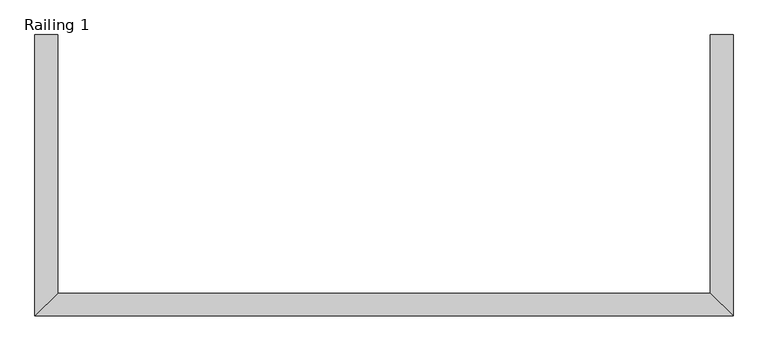
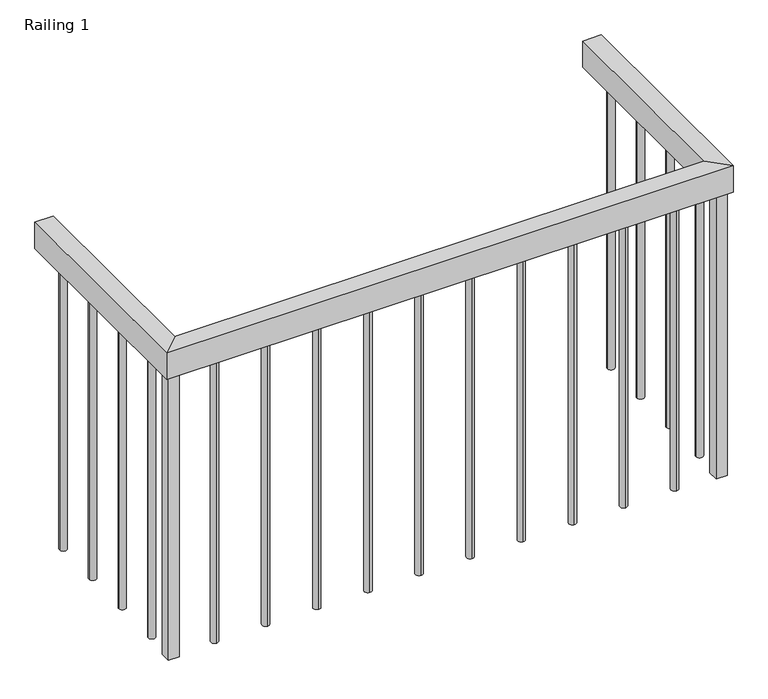
"""IFC4 building model written with IfcOpenShell, lengths in millimetres: railing geometry, Railing 1."""

from ifc_helpers import new_model, si_unit, point, frame, frame_2d, origin, place, context, project, spatial, polyline, circle_curve, trimmed, segment, composite_curve, outline, extrude, faceted_brep, source, transform, mapped, element, save


def railing_1_3664a752(model_context):
    return source(origin(), model_context, "Body", "SolidModel", [
        faceted_brep([(2280.5809005, -2071.8408405, 3940.0), (2280.5809005, -2071.8408405, 3863.8), (2229.7809005, -2071.8408405, 3863.8), (2229.7809005, -2071.8408405, 3940.0), (2280.5809005, -2646.4408405, 3940.0), (2280.5809005, -2646.4408405, 3863.8), (2229.7809005, -2697.2408405, 3863.8), (2229.7809005, -2697.2408405, 3940.0), (3729.7809005, -2646.4408405, 3940.0), (3729.7809005, -2646.4408405, 3863.8), (3780.5809005, -2697.2408405, 3863.8), (3780.5809005, -2697.2408405, 3940.0), (3729.7809005, -2071.8408405, 3940.0), (3780.5809005, -2071.8408405, 3940.0), (3780.5809005, -2071.8408405, 3863.8), (3729.7809005, -2071.8408405, 3863.8)], [[[0, 1, 2, 3]], [[1, 0, 4, 5]], [[2, 1, 5, 6]], [[3, 2, 6, 7]], [[0, 3, 7, 4]], [[5, 4, 8, 9]], [[6, 5, 9, 10]], [[7, 6, 10, 11]], [[4, 7, 11, 8]], [[12, 13, 14, 15]], [[9, 8, 12, 15]], [[10, 9, 15, 14]], [[11, 10, 14, 13]], [[8, 11, 13, 12]]]),
        extrude(outline(composite_curve([segment(trimmed(circle_curve(frame_2d((3755.1809005, -2161.8408405)), 10.0), [point((3745.1809005, -2161.8408405))], [point((3765.1809005, -2161.8408405))], False, "CARTESIAN"), True, "CONTINUOUS"), segment(trimmed(circle_curve(frame_2d((3755.1809005, -2161.8408405)), 10.0), [point((3765.1809005, -2161.8408405))], [point((3745.1809005, -2161.8408405))], False, "CARTESIAN"), True, "CONTINUOUS")], self_intersect=False)), frame((0.0, 0.0, 3040.0), z_axis=(0.0, 0.0, 1.0), x_axis=(1.0, 0.0, 0.0)), (0.0, 0.0, 1.0), 823.8),
        extrude(outline(composite_curve([segment(trimmed(circle_curve(frame_2d((3755.1809005, -2301.8408405)), 10.0), [point((3745.1809005, -2301.8408405))], [point((3765.1809005, -2301.8408405))], False, "CARTESIAN"), True, "CONTINUOUS"), segment(trimmed(circle_curve(frame_2d((3755.1809005, -2301.8408405)), 10.0), [point((3765.1809005, -2301.8408405))], [point((3745.1809005, -2301.8408405))], False, "CARTESIAN"), True, "CONTINUOUS")], self_intersect=False)), frame((0.0, 0.0, 3040.0), z_axis=(0.0, 0.0, 1.0), x_axis=(1.0, 0.0, 0.0)), (0.0, 0.0, 1.0), 823.8),
        extrude(outline(composite_curve([segment(trimmed(circle_curve(frame_2d((3755.1809005, -2441.8408405)), 10.0), [point((3745.1809005, -2441.8408405))], [point((3765.1809005, -2441.8408405))], False, "CARTESIAN"), True, "CONTINUOUS"), segment(trimmed(circle_curve(frame_2d((3755.1809005, -2441.8408405)), 10.0), [point((3765.1809005, -2441.8408405))], [point((3745.1809005, -2441.8408405))], False, "CARTESIAN"), True, "CONTINUOUS")], self_intersect=False)), frame((0.0, 0.0, 3040.0), z_axis=(0.0, 0.0, 1.0), x_axis=(1.0, 0.0, 0.0)), (0.0, 0.0, 1.0), 823.8),
        extrude(outline(composite_curve([segment(trimmed(circle_curve(frame_2d((3755.1809005, -2581.8408405)), 10.0), [point((3745.1809005, -2581.8408405))], [point((3765.1809005, -2581.8408405))], False, "CARTESIAN"), True, "CONTINUOUS"), segment(trimmed(circle_curve(frame_2d((3755.1809005, -2581.8408405)), 10.0), [point((3765.1809005, -2581.8408405))], [point((3745.1809005, -2581.8408405))], False, "CARTESIAN"), True, "CONTINUOUS")], self_intersect=False)), frame((0.0, 0.0, 3040.0), z_axis=(0.0, 0.0, 1.0), x_axis=(1.0, 0.0, 0.0)), (0.0, 0.0, 1.0), 823.8),
        extrude(outline(composite_curve([segment(trimmed(circle_curve(frame_2d((3635.1809005, -2671.8408405)), 10.0), [point((3635.1809005, -2661.8408405))], [point((3635.1809005, -2681.8408405))], False, "CARTESIAN"), True, "CONTINUOUS"), segment(trimmed(circle_curve(frame_2d((3635.1809005, -2671.8408405)), 10.0), [point((3635.1809005, -2681.8408405))], [point((3635.1809005, -2661.8408405))], False, "CARTESIAN"), True, "CONTINUOUS")], self_intersect=False)), frame((0.0, 0.0, 3040.0), z_axis=(0.0, 0.0, 1.0), x_axis=(1.0, 0.0, 0.0)), (0.0, 0.0, 1.0), 823.8),
        extrude(outline(composite_curve([segment(trimmed(circle_curve(frame_2d((3495.1809005, -2671.8408405)), 10.0), [point((3495.1809005, -2661.8408405))], [point((3495.1809005, -2681.8408405))], False, "CARTESIAN"), True, "CONTINUOUS"), segment(trimmed(circle_curve(frame_2d((3495.1809005, -2671.8408405)), 10.0), [point((3495.1809005, -2681.8408405))], [point((3495.1809005, -2661.8408405))], False, "CARTESIAN"), True, "CONTINUOUS")], self_intersect=False)), frame((0.0, 0.0, 3040.0), z_axis=(0.0, 0.0, 1.0), x_axis=(1.0, 0.0, 0.0)), (0.0, 0.0, 1.0), 823.8),
        extrude(outline(composite_curve([segment(trimmed(circle_curve(frame_2d((3355.1809005, -2671.8408405)), 10.0), [point((3355.1809005, -2661.8408405))], [point((3355.1809005, -2681.8408405))], False, "CARTESIAN"), True, "CONTINUOUS"), segment(trimmed(circle_curve(frame_2d((3355.1809005, -2671.8408405)), 10.0), [point((3355.1809005, -2681.8408405))], [point((3355.1809005, -2661.8408405))], False, "CARTESIAN"), True, "CONTINUOUS")], self_intersect=False)), frame((0.0, 0.0, 3040.0), z_axis=(0.0, 0.0, 1.0), x_axis=(1.0, 0.0, 0.0)), (0.0, 0.0, 1.0), 823.8),
        extrude(outline(composite_curve([segment(trimmed(circle_curve(frame_2d((3215.1809005, -2671.8408405)), 10.0), [point((3215.1809005, -2661.8408405))], [point((3215.1809005, -2681.8408405))], False, "CARTESIAN"), True, "CONTINUOUS"), segment(trimmed(circle_curve(frame_2d((3215.1809005, -2671.8408405)), 10.0), [point((3215.1809005, -2681.8408405))], [point((3215.1809005, -2661.8408405))], False, "CARTESIAN"), True, "CONTINUOUS")], self_intersect=False)), frame((0.0, 0.0, 3040.0), z_axis=(0.0, 0.0, 1.0), x_axis=(1.0, 0.0, 0.0)), (0.0, 0.0, 1.0), 823.8),
        extrude(outline(composite_curve([segment(trimmed(circle_curve(frame_2d((3075.1809005, -2671.8408405)), 10.0), [point((3075.1809005, -2661.8408405))], [point((3075.1809005, -2681.8408405))], False, "CARTESIAN"), True, "CONTINUOUS"), segment(trimmed(circle_curve(frame_2d((3075.1809005, -2671.8408405)), 10.0), [point((3075.1809005, -2681.8408405))], [point((3075.1809005, -2661.8408405))], False, "CARTESIAN"), True, "CONTINUOUS")], self_intersect=False)), frame((0.0, 0.0, 3040.0), z_axis=(0.0, 0.0, 1.0), x_axis=(1.0, 0.0, 0.0)), (0.0, 0.0, 1.0), 823.8),
        extrude(outline(composite_curve([segment(trimmed(circle_curve(frame_2d((2935.1809005, -2671.8408405)), 10.0), [point((2935.1809005, -2661.8408405))], [point((2935.1809005, -2681.8408405))], False, "CARTESIAN"), True, "CONTINUOUS"), segment(trimmed(circle_curve(frame_2d((2935.1809005, -2671.8408405)), 10.0), [point((2935.1809005, -2681.8408405))], [point((2935.1809005, -2661.8408405))], False, "CARTESIAN"), True, "CONTINUOUS")], self_intersect=False)), frame((0.0, 0.0, 3040.0), z_axis=(0.0, 0.0, 1.0), x_axis=(1.0, 0.0, 0.0)), (0.0, 0.0, 1.0), 823.8),
        extrude(outline(composite_curve([segment(trimmed(circle_curve(frame_2d((2795.1809005, -2671.8408405)), 10.0), [point((2795.1809005, -2661.8408405))], [point((2795.1809005, -2681.8408405))], False, "CARTESIAN"), True, "CONTINUOUS"), segment(trimmed(circle_curve(frame_2d((2795.1809005, -2671.8408405)), 10.0), [point((2795.1809005, -2681.8408405))], [point((2795.1809005, -2661.8408405))], False, "CARTESIAN"), True, "CONTINUOUS")], self_intersect=False)), frame((0.0, 0.0, 3040.0), z_axis=(0.0, 0.0, 1.0), x_axis=(1.0, 0.0, 0.0)), (0.0, 0.0, 1.0), 823.8),
        extrude(outline(composite_curve([segment(trimmed(circle_curve(frame_2d((2655.1809005, -2671.8408405)), 10.0), [point((2655.1809005, -2661.8408405))], [point((2655.1809005, -2681.8408405))], False, "CARTESIAN"), True, "CONTINUOUS"), segment(trimmed(circle_curve(frame_2d((2655.1809005, -2671.8408405)), 10.0), [point((2655.1809005, -2681.8408405))], [point((2655.1809005, -2661.8408405))], False, "CARTESIAN"), True, "CONTINUOUS")], self_intersect=False)), frame((0.0, 0.0, 3040.0), z_axis=(0.0, 0.0, 1.0), x_axis=(1.0, 0.0, 0.0)), (0.0, 0.0, 1.0), 823.8),
        extrude(outline(composite_curve([segment(trimmed(circle_curve(frame_2d((2515.1809005, -2671.8408405)), 10.0), [point((2515.1809005, -2661.8408405))], [point((2515.1809005, -2681.8408405))], False, "CARTESIAN"), True, "CONTINUOUS"), segment(trimmed(circle_curve(frame_2d((2515.1809005, -2671.8408405)), 10.0), [point((2515.1809005, -2681.8408405))], [point((2515.1809005, -2661.8408405))], False, "CARTESIAN"), True, "CONTINUOUS")], self_intersect=False)), frame((0.0, 0.0, 3040.0), z_axis=(0.0, 0.0, 1.0), x_axis=(1.0, 0.0, 0.0)), (0.0, 0.0, 1.0), 823.8),
        extrude(outline(composite_curve([segment(trimmed(circle_curve(frame_2d((2375.1809005, -2671.8408405)), 10.0), [point((2375.1809005, -2661.8408405))], [point((2375.1809005, -2681.8408405))], False, "CARTESIAN"), True, "CONTINUOUS"), segment(trimmed(circle_curve(frame_2d((2375.1809005, -2671.8408405)), 10.0), [point((2375.1809005, -2681.8408405))], [point((2375.1809005, -2661.8408405))], False, "CARTESIAN"), True, "CONTINUOUS")], self_intersect=False)), frame((0.0, 0.0, 3040.0), z_axis=(0.0, 0.0, 1.0), x_axis=(1.0, 0.0, 0.0)), (0.0, 0.0, 1.0), 823.8),
        extrude(outline(composite_curve([segment(trimmed(circle_curve(frame_2d((2255.1809005, -2581.8408405)), 10.0), [point((2265.1809005, -2581.8408405))], [point((2245.1809005, -2581.8408405))], False, "CARTESIAN"), True, "CONTINUOUS"), segment(trimmed(circle_curve(frame_2d((2255.1809005, -2581.8408405)), 10.0), [point((2245.1809005, -2581.8408405))], [point((2265.1809005, -2581.8408405))], False, "CARTESIAN"), True, "CONTINUOUS")], self_intersect=False)), frame((0.0, 0.0, 3040.0), z_axis=(0.0, 0.0, 1.0), x_axis=(1.0, 0.0, 0.0)), (0.0, 0.0, 1.0), 823.8),
        extrude(outline(composite_curve([segment(trimmed(circle_curve(frame_2d((2255.1809005, -2441.8408405)), 10.0), [point((2265.1809005, -2441.8408405))], [point((2245.1809005, -2441.8408405))], False, "CARTESIAN"), True, "CONTINUOUS"), segment(trimmed(circle_curve(frame_2d((2255.1809005, -2441.8408405)), 10.0), [point((2245.1809005, -2441.8408405))], [point((2265.1809005, -2441.8408405))], False, "CARTESIAN"), True, "CONTINUOUS")], self_intersect=False)), frame((0.0, 0.0, 3040.0), z_axis=(0.0, 0.0, 1.0), x_axis=(1.0, 0.0, 0.0)), (0.0, 0.0, 1.0), 823.8),
        extrude(outline(composite_curve([segment(trimmed(circle_curve(frame_2d((2255.1809005, -2301.8408405)), 10.0), [point((2265.1809005, -2301.8408405))], [point((2245.1809005, -2301.8408405))], False, "CARTESIAN"), True, "CONTINUOUS"), segment(trimmed(circle_curve(frame_2d((2255.1809005, -2301.8408405)), 10.0), [point((2245.1809005, -2301.8408405))], [point((2265.1809005, -2301.8408405))], False, "CARTESIAN"), True, "CONTINUOUS")], self_intersect=False)), frame((0.0, 0.0, 3040.0), z_axis=(0.0, 0.0, 1.0), x_axis=(1.0, 0.0, 0.0)), (0.0, 0.0, 1.0), 823.8),
        extrude(outline(composite_curve([segment(trimmed(circle_curve(frame_2d((2255.1809005, -2161.8408405)), 10.0), [point((2265.1809005, -2161.8408405))], [point((2245.1809005, -2161.8408405))], False, "CARTESIAN"), True, "CONTINUOUS"), segment(trimmed(circle_curve(frame_2d((2255.1809005, -2161.8408405)), 10.0), [point((2245.1809005, -2161.8408405))], [point((2265.1809005, -2161.8408405))], False, "CARTESIAN"), True, "CONTINUOUS")], self_intersect=False)), frame((0.0, 0.0, 3040.0), z_axis=(0.0, 0.0, 1.0), x_axis=(1.0, 0.0, 0.0)), (0.0, 0.0, 1.0), 823.8),
        extrude(outline(polyline([(3740.1809005, -2656.8408405), (3770.1809005, -2656.8408405), (3770.1809005, -2686.8408405), (3740.1809005, -2686.8408405), (3740.1809005, -2656.8408405)])), frame((0.0, 0.0, 3040.0), z_axis=(0.0, 0.0, 1.0), x_axis=(1.0, 0.0, 0.0)), (0.0, 0.0, 1.0), 850.0),
        extrude(outline(polyline([(2270.1809005, -2656.8408405), (2270.1809005, -2686.8408405), (2240.1809005, -2686.8408405), (2240.1809005, -2656.8408405), (2270.1809005, -2656.8408405)])), frame((0.0, 0.0, 3040.0), z_axis=(0.0, 0.0, 1.0), x_axis=(1.0, 0.0, 0.0)), (0.0, 0.0, 1.0), 850.0),
    ])


if __name__ == "__main__":
    model = new_model("IFC4")
    model_context = context("Model", 3, world=origin())
    ifc_project = project(units=[si_unit("LENGTHUNIT", "METRE", prefix="MILLI")], contexts=[model_context])
    site = spatial("IfcSite", under=ifc_project)
    building = spatial("IfcBuilding", under=site)
    placement = place(None, origin())
    railing_1_shape = railing_1_3664a752(model_context)
    element("IfcRailing", 1, ObjectType="Railing 1", at=placement, inside=building, context=model_context, shape_type="MappedRepresentation", body=[
        mapped(railing_1_shape, transform((0.0, 0.0, 0.0), x_axis=(1.0, 0.0, 0.0), y_axis=(0.0, 1.0, 0.0), z_axis=(0.0, 0.0, 1.0))),
    ])
    save(model, "model.ifc")
